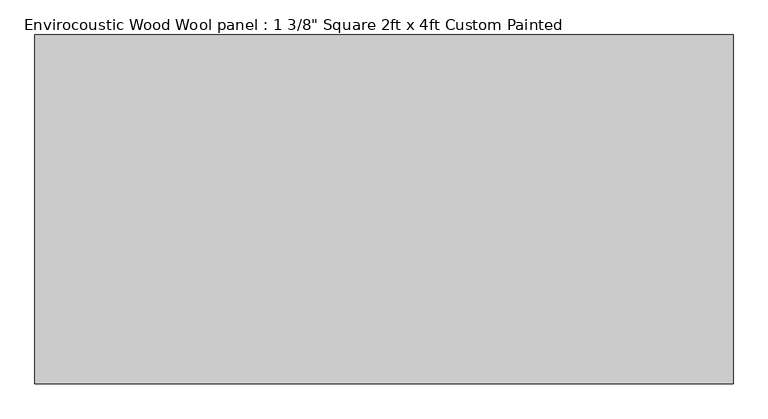
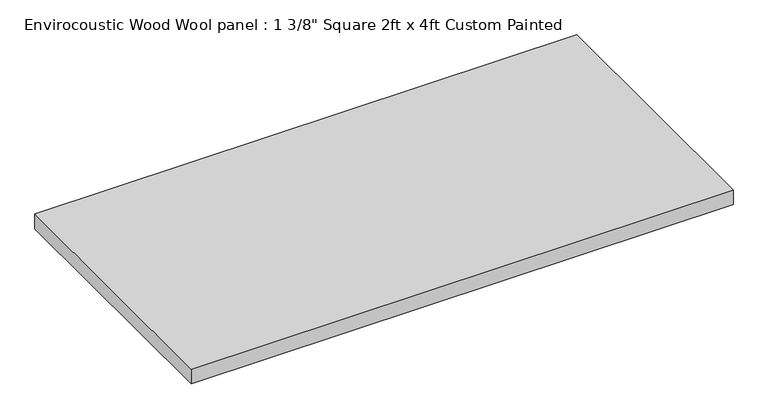
"""IFC4 building model written with IfcOpenShell, lengths in millimetres: proxy geometry."""

from ifc_helpers import new_model, si_unit, origin, origin_with_axes, place, context, project, spatial, polyline, outline, extrude, source, transform, mapped, element, save


def proxy_f27cc9dc(model_context):
    return source(origin(), model_context, "Body", "SweptSolid", [
        extrude(outline(polyline([(-609.6, 304.8), (609.6, 304.8), (609.6, -304.8), (-609.6, -304.8), (-609.6, 304.8)])), origin_with_axes(), (0.0, 0.0, 1.0), 34.925),
    ])


if __name__ == "__main__":
    model = new_model("IFC4")
    model_context = context("Model", 3, world=origin())
    ifc_project = project(units=[si_unit("LENGTHUNIT", "METRE", prefix="MILLI")], contexts=[model_context])
    site = spatial("IfcSite", under=ifc_project)
    building = spatial("IfcBuilding", under=site)
    placement = place(None, origin())
    proxy_shape = proxy_f27cc9dc(model_context)
    element("IfcBuildingElementProxy", 1, Name="Envirocoustic Wood Wool panel : 1 3/8\" Square 2ft x 4ft Custom Painted", ObjectType="Envirocoustic Wood Wool panel : 1 3/8\" Square 2ft x 4ft Custom Painted", at=placement, inside=building, context=model_context, shape_type="MappedRepresentation", body=[
        mapped(proxy_shape, transform((0.0, 0.0, 0.0), x_axis=(1.0, 0.0, 0.0), y_axis=(0.0, 1.0, 0.0), z_axis=(0.0, 0.0, 1.0))),
    ])
    save(model, "model.ifc")
